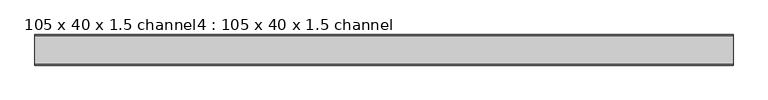
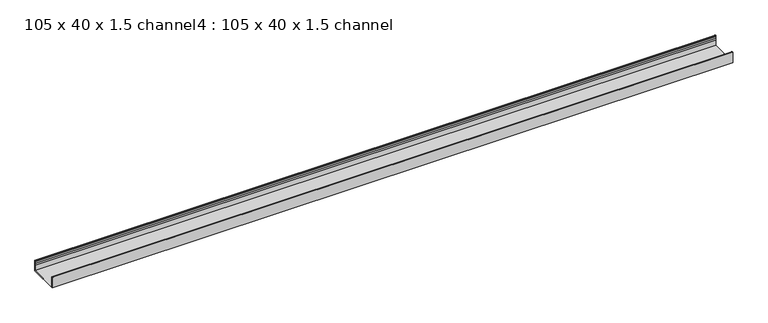
"""IFC4 building model written with IfcOpenShell, lengths in millimetres: proxy geometry, 105 x 40 x 1.5 channel4 : 105 x 40 x 1.5 channel."""

import ifcopenshell
import ifcopenshell.guid

model = None  # the IFC model being written
_history = None  # IfcOwnerHistory: only IFC2X3 demands one
_inside = {}  # id of a spatial element -> (the spatial element, [elements in it])
_under = {}  # id of a project, library or spatial element -> (it, [spatial elements below it])
_declared = {}  # id of a project -> (the project, [libraries it declares])
_typed = {}  # id of a type object -> (the type object, [elements of that type])
_made_of = {}  # id of a material, layer set ... -> (it, [elements and type objects made of it])


def new_model(schema):
    """Start an empty IFC model of exactly this schema.

    Asked for "IFC4X3", IfcOpenShell would pick the latest addendum, in which some entities
    have other attributes; the version numbers below select the first issue.
    IFC2X3 requires an IfcOwnerHistory on every rooted entity: one is made here for all.
    """
    global model, _history
    if schema == "IFC4X3":
        model = ifcopenshell.file(schema_version=(4, 3, 0, 0))
    else:
        model = ifcopenshell.file(schema=schema)
    _inside.clear()
    _under.clear()
    _declared.clear()
    _typed.clear()
    _made_of.clear()
    _history = None
    if model.schema == "IFC2X3":
        org = make("IfcOrganization", Name="unknown")
        user = make(
            "IfcPersonAndOrganization",
            ThePerson=make("IfcPerson", FamilyName="unknown"),
            TheOrganization=org,
        )
        app = make(
            "IfcApplication",
            ApplicationDeveloper=org,
            Version="unknown",
            ApplicationFullName="unknown",
            ApplicationIdentifier="unknown",
        )
        _history = make(
            "IfcOwnerHistory",
            OwningUser=user,
            OwningApplication=app,
            ChangeAction="ADDED",
            CreationDate=0,
        )
    return model


def make(cls, **values):
    """One entity of the class cls with the attributes given. An attribute that is None is left unset."""
    return model.create_entity(
        cls, **{name: value for name, value in values.items() if value is not None}
    )


def rooted(cls, **values):
    """An entity with a GlobalId (a new one), such as an element, a storey or a relation."""
    return make(cls, GlobalId=ifcopenshell.guid.new(), OwnerHistory=_history, **values)


def si_unit(unit_type, name, prefix=None):
    """IfcSIUnit, for example si_unit("LENGTHUNIT", "METRE", prefix="MILLI")."""
    return make("IfcSIUnit", UnitType=unit_type, Prefix=prefix, Name=name)


def assignment(units):
    """IfcUnitAssignment: the units of a project."""
    return None if units is None else make("IfcUnitAssignment", Units=units)


def point(xyz):
    """IfcCartesianPoint."""
    return None if xyz is None else make("IfcCartesianPoint", Coordinates=xyz)


def direction(xyz):
    """IfcDirection."""
    return None if xyz is None else make("IfcDirection", DirectionRatios=xyz)


def frame(location, z_axis=None, x_axis=None):
    """IfcAxis2Placement3D, a coordinate frame: its origin and axes. An axis left out is left unset."""
    return make(
        "IfcAxis2Placement3D",
        Location=point(location),
        Axis=direction(z_axis),
        RefDirection=direction(x_axis),
    )


def frame_2d(location, x_axis=None):
    """IfcAxis2Placement2D, a coordinate frame in the plane: its origin and x axis."""
    return make(
        "IfcAxis2Placement2D", Location=point(location), RefDirection=direction(x_axis)
    )


def origin():
    """The frame at (0, 0, 0) with its axes left unset."""
    return frame((0.0, 0.0, 0.0))


def place(relative_to, where):
    """IfcLocalPlacement: puts the frame where relative to a parent placement (None: the world)."""
    return make(
        "IfcLocalPlacement", PlacementRelTo=relative_to, RelativePlacement=where
    )


def context(
    kind, dimensions, precision=None, world=None, true_north=None, identifier=None
):
    """IfcGeometricRepresentationContext, for example the 3D "Model" context."""
    return make(
        "IfcGeometricRepresentationContext",
        ContextIdentifier=identifier,
        ContextType=kind,
        CoordinateSpaceDimension=dimensions,
        Precision=precision,
        WorldCoordinateSystem=world,
        TrueNorth=true_north,
    )


def project(units=None, contexts=None):
    """IfcProject with its units and contexts."""
    return rooted(
        "IfcProject",
        Name="project",
        RepresentationContexts=contexts,
        UnitsInContext=assignment(units),
    )


def spatial(cls, under=None, at=None, **own):
    """A site, building, storey or space (cls), placed at a placement, below another one or the project."""
    s = rooted(cls, ObjectPlacement=at, **own)
    if under is not None:
        _under.setdefault(under.id(), (under, []))[1].append(s)
    return s


def polyline(points):
    """IfcPolyline through the points."""
    return make("IfcPolyline", Points=[point(p) for p in points])


def circle_curve(where, radius):
    """IfcCircle in the frame where."""
    return make("IfcCircle", Position=where, Radius=radius)


def trimmed(basis, trim1, trim2, sense, master):
    """IfcTrimmedCurve: the piece of a basis curve between two trims."""
    return make(
        "IfcTrimmedCurve",
        BasisCurve=basis,
        Trim1=trim1,
        Trim2=trim2,
        SenseAgreement=sense,
        MasterRepresentation=master,
    )


def segment(curve, same_sense, transition):
    """IfcCompositeCurveSegment."""
    return make(
        "IfcCompositeCurveSegment",
        Transition=transition,
        SameSense=same_sense,
        ParentCurve=curve,
    )


def composite_curve(segments, self_intersect=None):
    """IfcCompositeCurve: segments joined end to end."""
    return make("IfcCompositeCurve", Segments=segments, SelfIntersect=self_intersect)


def outline(outer, holes=None, kind="AREA"):
    """IfcArbitraryClosedProfileDef: a profile drawn as a closed curve; with holes, ...WithVoids."""
    if holes is None:
        return make("IfcArbitraryClosedProfileDef", ProfileType=kind, OuterCurve=outer)
    return make(
        "IfcArbitraryProfileDefWithVoids",
        ProfileType=kind,
        OuterCurve=outer,
        InnerCurves=holes,
    )


def extrude(swept, where, along, depth):
    """IfcExtrudedAreaSolid: the profile swept, set in the frame where, extruded along a direction by depth."""
    return make(
        "IfcExtrudedAreaSolid",
        SweptArea=swept,
        Position=where,
        ExtrudedDirection=direction(along),
        Depth=depth,
    )


def shape(context_of_items, identifier, shape_type, items):
    """IfcShapeRepresentation: the items that make up one representation, for example the "Body"."""
    return make(
        "IfcShapeRepresentation",
        ContextOfItems=context_of_items,
        RepresentationIdentifier=identifier,
        RepresentationType=shape_type,
        Items=items,
    )


def source(mapping_origin, context_of_items, identifier, shape_type, items):
    """IfcRepresentationMap: a shape defined once, which mapped items show again and again."""
    return make(
        "IfcRepresentationMap",
        MappingOrigin=mapping_origin,
        MappedRepresentation=shape(context_of_items, identifier, shape_type, items),
    )


def transform(
    local_origin,
    x_axis=None,
    y_axis=None,
    z_axis=None,
    scale=None,
    scale2=None,
    scale3=None,
    uniform=True,
):
    """IfcCartesianTransformationOperator3D, or its non-uniform kind. x_axis, y_axis, z_axis: its Axis1, 2, 3."""
    if uniform:
        return make(
            "IfcCartesianTransformationOperator3D",
            Axis1=direction(x_axis),
            Axis2=direction(y_axis),
            LocalOrigin=point(local_origin),
            Scale=scale,
            Axis3=direction(z_axis),
        )
    return make(
        "IfcCartesianTransformationOperator3DnonUniform",
        Axis1=direction(x_axis),
        Axis2=direction(y_axis),
        LocalOrigin=point(local_origin),
        Scale=scale,
        Axis3=direction(z_axis),
        Scale2=scale2,
        Scale3=scale3,
    )


def mapped(mapping_source, mapping_target):
    """IfcMappedItem: shows the shape of a source again, moved by a transform."""
    return make(
        "IfcMappedItem", MappingSource=mapping_source, MappingTarget=mapping_target
    )


def made_of(thing, what):
    """Note that an element or type object is made of a material, layer set ...; save() writes the relation."""
    if what is not None:
        _made_of.setdefault(what.id(), (what, []))[1].append(thing)
    return thing


def element(
    cls,
    number,
    at=None,
    inside=None,
    cuts=None,
    type_object=None,
    material=None,
    context=None,
    identifier="Body",
    shape_type=None,
    held_by="IfcProductDefinitionShape",
    body=None,
    shapes=None,
    **own,
):
    """One element of the class cls, such as IfcWall. Its Tag is "e" and its number.

    at: its placement. inside: the storey or other place that contains it. cuts: it is an
    opening in that element (IfcRelVoidsElement). A single representation is given by context,
    identifier, shape_type and body (its items); several are given by shapes. held_by: the class
    of the entity that holds the representations. save() writes the other relations.
    """
    e = rooted(cls, Tag="e%d" % number, ObjectPlacement=at, **own)
    if body is not None:
        shapes = [shape(context, identifier, shape_type, body)]
    if shapes is not None:
        e.Representation = make(held_by, Representations=shapes)
    if inside is not None:
        _inside.setdefault(inside.id(), (inside, []))[1].append(e)
    if cuts is not None:
        rooted(
            "IfcRelVoidsElement", RelatingBuildingElement=cuts, RelatedOpeningElement=e
        )
    if type_object is not None:
        _typed.setdefault(type_object.id(), (type_object, []))[1].append(e)
    return made_of(e, material)


def aggregate(whole, parts):
    """IfcRelAggregates: a whole, such as a stair, and the parts it consists of."""
    return rooted("IfcRelAggregates", RelatingObject=whole, RelatedObjects=parts)


def save(model, path):
    """Write the relations noted so far, then the file.

    IfcRelAggregates (storeys below a building ...), IfcRelContainedInSpatialStructure (elements
    in a storey), IfcRelDefinesByType, IfcRelAssociatesMaterial and IfcRelDeclares: one each for
    every whole, place, type object, material and project.
    """
    for whole, parts in _under.values():
        aggregate(whole, parts)
    for where, things in _inside.values():
        rooted(
            "IfcRelContainedInSpatialStructure",
            RelatedElements=things,
            RelatingStructure=where,
        )
    for kind, things in _typed.values():
        rooted("IfcRelDefinesByType", RelatedObjects=things, RelatingType=kind)
    for what, things in _made_of.values():
        rooted("IfcRelAssociatesMaterial", RelatedObjects=things, RelatingMaterial=what)
    for by, libraries in _declared.values():
        rooted("IfcRelDeclares", RelatingContext=by, RelatedDefinitions=libraries)
    model.write(path)


def proxy_105_x_40_x_1_5_channel4_105_x_40_x_1_5_channel_0cef2054(model_context):
    return source(origin(), model_context, "Body", "SweptSolid", [
        extrude(outline(composite_curve([segment(trimmed(circle_curve(frame_2d((834.0503008, 32.0)), 10.0), [point((843.6256088, 29.1166898))], [point((843.6256088, 34.8833102))], True, "CARTESIAN"), True, "CONTINUOUS"), segment(polyline([(843.6256088, 34.8833102), (843.0503008, 38.8)]), True, "CONTINUOUS"), segment(trimmed(circle_curve(frame_2d((844.2503008, 38.8)), 1.2), [point((843.0503008, 38.8))], [point((845.4503008, 38.8))], False, "CARTESIAN"), True, "CONTINUOUS"), segment(polyline([(845.4503008, 38.8), (845.4503008, 0.0), (740.1503008, 0.0), (740.1503008, 38.8)]), True, "CONTINUOUS"), segment(trimmed(circle_curve(frame_2d((741.3503008, 38.8)), 1.2), [point((740.1503008, 38.8))], [point((742.5503008, 38.8))], False, "CARTESIAN"), True, "CONTINUOUS"), segment(polyline([(742.5503008, 38.8), (741.9749929, 34.8833102)]), True, "CONTINUOUS"), segment(trimmed(circle_curve(frame_2d((751.5503008, 32.0)), 10.0), [point((741.9749929, 34.8833102))], [point((741.9749929, 29.1166898))], True, "CARTESIAN"), True, "CONTINUOUS"), segment(trimmed(circle_curve(frame_2d((732.5503008, 25.77376)), 10.0), [point((741.9749929, 29.1166898))], [point((741.5503008, 21.4148611))], False, "CARTESIAN"), True, "CONTINUOUS"), segment(polyline([(741.5503008, 21.4148611), (741.5503008, 1.4), (844.0503008, 1.4), (844.0503008, 21.4148611)]), True, "CONTINUOUS"), segment(trimmed(circle_curve(frame_2d((853.0503008, 25.77376)), 10.0), [point((844.0503008, 21.4148611))], [point((843.6256088, 29.1166898))], False, "CARTESIAN"), True, "CONTINUOUS")], self_intersect=False)), frame((-2635.3690716, 0.0, 0.0), z_axis=(1.0, 0.0, 0.0), x_axis=(0.0, 1.0, 0.0)), (0.0, 0.0, 1.0), 2400.0),
    ])


if __name__ == "__main__":
    model = new_model("IFC4")
    model_context = context("Model", 3, world=origin())
    ifc_project = project(units=[si_unit("LENGTHUNIT", "METRE", prefix="MILLI")], contexts=[model_context])
    site = spatial("IfcSite", under=ifc_project)
    building = spatial("IfcBuilding", under=site)
    placement = place(None, origin())
    proxy_105_x_40_x_1_5_channel4_105_x_40_x_1_5_channel_shape = proxy_105_x_40_x_1_5_channel4_105_x_40_x_1_5_channel_0cef2054(model_context)
    element("IfcBuildingElementProxy", 1, Name="105 x 40 x 1.5 channel4 : 105 x 40 x 1.5 channel", ObjectType="105 x 40 x 1.5 channel4 : 105 x 40 x 1.5 channel", at=placement, inside=building, context=model_context, shape_type="MappedRepresentation", body=[
        mapped(proxy_105_x_40_x_1_5_channel4_105_x_40_x_1_5_channel_shape, transform((0.0, 0.0, 0.0), x_axis=(1.0, 0.0, 0.0), y_axis=(0.0, 1.0, 0.0), z_axis=(0.0, 0.0, 1.0))),
    ])
    save(model, "model.ifc")
